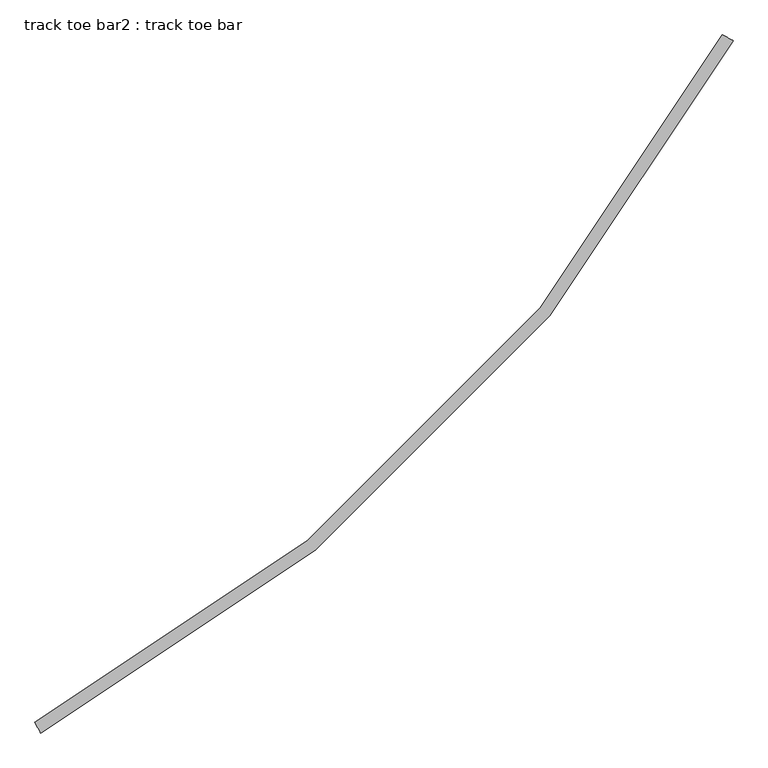
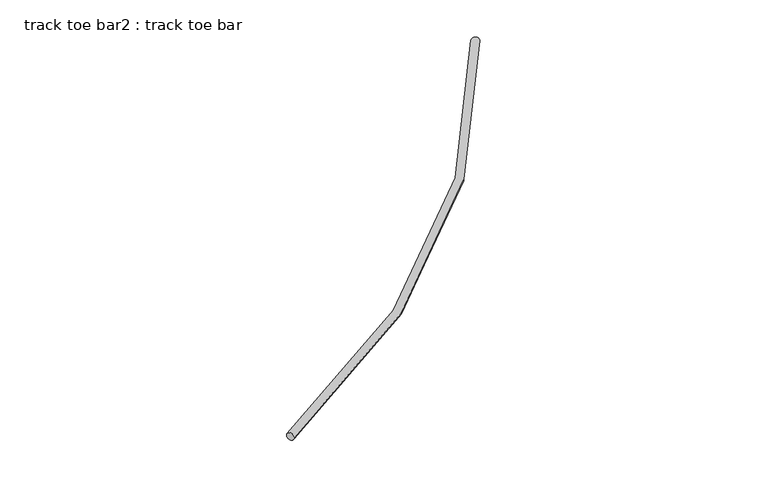
"""IFC4 building model written with IfcOpenShell, lengths in millimetres: proxy geometry, track toe bar2 : track toe bar."""

from ifc_helpers import new_model, si_unit, point, frame, origin, place, context, project, spatial, circle_curve, ellipse_curve, trimmed, source, transform, mapped, element, save
from ifc_brep_helpers import plane_surface, revolved_surface, advanced_brep


def track_toe_bar2_track_toe_bar_2ab807e2(model_context):
    return source(origin(), model_context, "Body", "AdvancedBrep", [
        advanced_brep(
        [(568267.8557519, -284831.3030125, 4855.8150744), (568303.7145754, -284898.5383066, 4855.8150744), (572582.1204578, -280517.0383066, 4855.8150744), (572649.3557519, -280552.8971301, 4855.8150744)],
        [
            (0, 1, circle_curve(frame((568285.7851636, -284864.9206595, 4855.8150744), z_axis=(-0.8823529411766178, -0.47058823529384186, 0.0), x_axis=(0.47058823529384186, -0.8823529411766178, 0.0)), 38.1)),
            (1, 0, circle_curve(frame((568285.7851636, -284864.9206595, 4855.8150744), z_axis=(-0.8823529411766178, -0.47058823529384186, 0.0), x_axis=(0.47058823529384186, -0.8823529411766178, 0.0)), 38.1)),
            (2, 3, circle_curve(frame((572615.7381048, -280534.9677184, 4855.8150744), z_axis=(0.47058823529386234, 0.8823529411766067, 0.0), x_axis=(0.8823529411766067, -0.47058823529386234, 0.0)), 38.1)),
            (3, 2, circle_curve(frame((572615.7381048, -280534.9677184, 4855.8150744), z_axis=(0.47058823529386234, 0.8823529411766067, 0.0), x_axis=(0.8823529411766067, -0.47058823529386234, 0.0)), 38.1)),
            (2, 0, circle_curve(frame((563337.2675166, -275586.4500713, 4855.8150744), z_axis=(0.0, 0.0, -1.0), x_axis=(0.47058823529384175, -0.8823529411766178, 0.0)), 10477.5)),
            (1, 3, circle_curve(frame((563337.2675166, -275586.4500713, 4855.8150744), z_axis=(0.0, 0.0, 1.0), x_axis=(0.47058823529384175, -0.8823529411766178, 0.0)), 10553.7)),
        ],
        [
            plane_surface(frame((568285.7851636, -284864.9206595, 4927.6), z_axis=(-0.8823529411766178, -0.47058823529384186, 0.0), x_axis=(0.0, 0.0, 1.0))),
            plane_surface(frame((572615.7381048, -280534.9677184, 4927.6), z_axis=(0.4705882352938624, 0.8823529411766067, 0.0), x_axis=(0.0, 0.0, 1.0))),
            revolved_surface(trimmed(ellipse_curve(frame((568285.7851636, -284864.9206595, 4855.8150744), z_axis=(-0.8823529411766178, -0.47058823529384186, 0.0), x_axis=(0.47058823529384186, -0.8823529411766178, 0.0)), 38.1, 38.1), [point((568303.7145754, -284898.5383066, 4855.8150744))], [point((568267.8557519, -284831.3030125, 4855.8150744))], True, "CARTESIAN"), (563337.2675166, -275586.4500713, 4927.6), (0.0, 0.0, 1.0)),
            revolved_surface(trimmed(ellipse_curve(frame((568285.7851636, -284864.9206595, 4855.8150744), z_axis=(-0.8823529411766178, -0.47058823529384186, 0.0), x_axis=(0.47058823529384186, -0.8823529411766178, 0.0)), 38.1, 38.1), [point((568267.8557519, -284831.3030125, 4855.8150744))], [point((568303.7145754, -284898.5383066, 4855.8150744))], True, "CARTESIAN"), (563337.2675166, -275586.4500713, 4927.6), (0.0, 0.0, 1.0)),
        ],
        [
            (0, [[1, 2]]),
            (1, [[3, 4]]),
            (2, [[5, -2, 6, -3]]),
            (3, [[-6, -1, -5, -4]]),
        ],
    ),
    ])


if __name__ == "__main__":
    model = new_model("IFC4")
    model_context = context("Model", 3, world=origin())
    ifc_project = project(units=[si_unit("LENGTHUNIT", "METRE", prefix="MILLI")], contexts=[model_context])
    site = spatial("IfcSite", under=ifc_project)
    building = spatial("IfcBuilding", under=site)
    placement = place(None, origin())
    track_toe_bar2_track_toe_bar_shape = track_toe_bar2_track_toe_bar_2ab807e2(model_context)
    element("IfcBuildingElementProxy", 1, Name="track toe bar2 : track toe bar", ObjectType="track toe bar2 : track toe bar", at=placement, inside=building, context=model_context, shape_type="MappedRepresentation", body=[
        mapped(track_toe_bar2_track_toe_bar_shape, transform((0.0, 0.0, 0.0), x_axis=(1.0, 0.0, 0.0), y_axis=(0.0, 1.0, 0.0), z_axis=(0.0, 0.0, 1.0))),
    ])
    save(model, "model.ifc")
